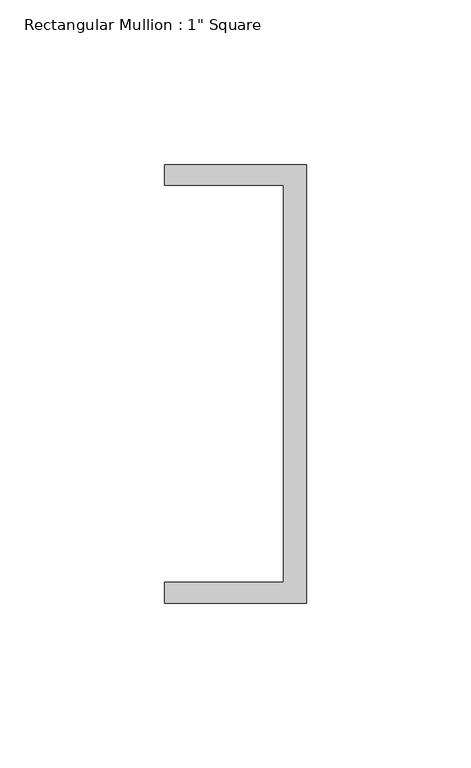
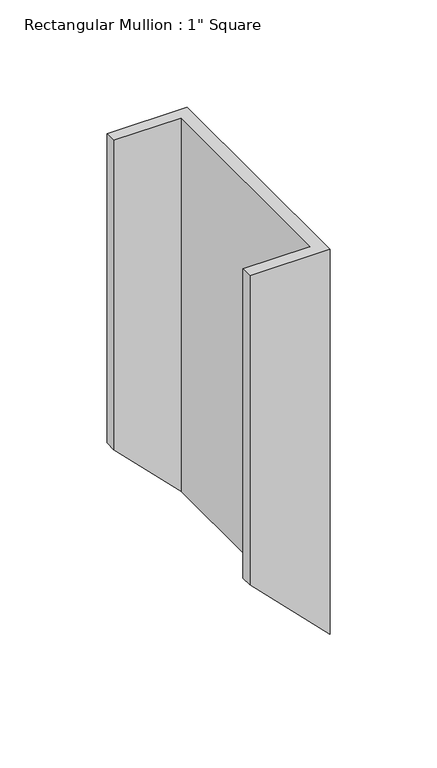
"""IFC4 building model written with IfcOpenShell, lengths in millimetres: member geometry."""

from ifc_helpers import new_model, si_unit, origin, place, context, project, spatial, faceted_brep, source, transform, mapped, element, save


def member_741abd7d(model_context):
    return source(origin(), model_context, "Body", "Brep", [
        faceted_brep([(-43.2224547, 135.2608739, 0.0), (0.0, 135.2608739, 0.0), (0.0, 135.2608739, -219.4399129), (-43.2224547, 135.2608739, -176.1063512), (-43.2224547, 128.9108739, 0.0), (-43.2224547, 128.9108739, -176.1063512), (-7.0438577, 128.9108739, 0.0), (-7.0438577, 128.9108739, -212.3779483), (-7.0438577, 8.2608739, 0.0), (-7.0438577, 8.2608739, -212.3779483), (-43.2224547, 8.2608739, 0.0), (-43.2224547, 8.2608739, -176.1063512), (-43.2224547, 1.9108739, 0.0), (-43.2224547, 1.9108739, -176.1063512), (0.0, 1.9108739, 0.0), (0.0, 1.9108739, -219.4399129)], [[[0, 1, 2, 3]], [[4, 0, 3, 5]], [[6, 4, 5, 7]], [[8, 6, 7, 9]], [[10, 8, 9, 11]], [[12, 10, 11, 13]], [[14, 12, 13, 15]], [[1, 14, 15, 2]], [[1, 0, 4, 6, 8, 10, 12, 14]], [[2, 15, 13, 11, 9, 7, 5, 3]]]),
    ])


if __name__ == "__main__":
    model = new_model("IFC4")
    model_context = context("Model", 3, world=origin())
    ifc_project = project(units=[si_unit("LENGTHUNIT", "METRE", prefix="MILLI")], contexts=[model_context])
    site = spatial("IfcSite", under=ifc_project)
    building = spatial("IfcBuilding", under=site)
    placement = place(None, origin())
    member_shape = member_741abd7d(model_context)
    element("IfcMember", 1, ObjectType="Rectangular Mullion : 1\" Square", at=placement, inside=building, context=model_context, shape_type="MappedRepresentation", body=[
        mapped(member_shape, transform((0.0, 0.0, 0.0), x_axis=(1.0, 0.0, 0.0), y_axis=(0.0, 1.0, 0.0), z_axis=(0.0, 0.0, 1.0))),
    ])
    save(model, "model.ifc")
